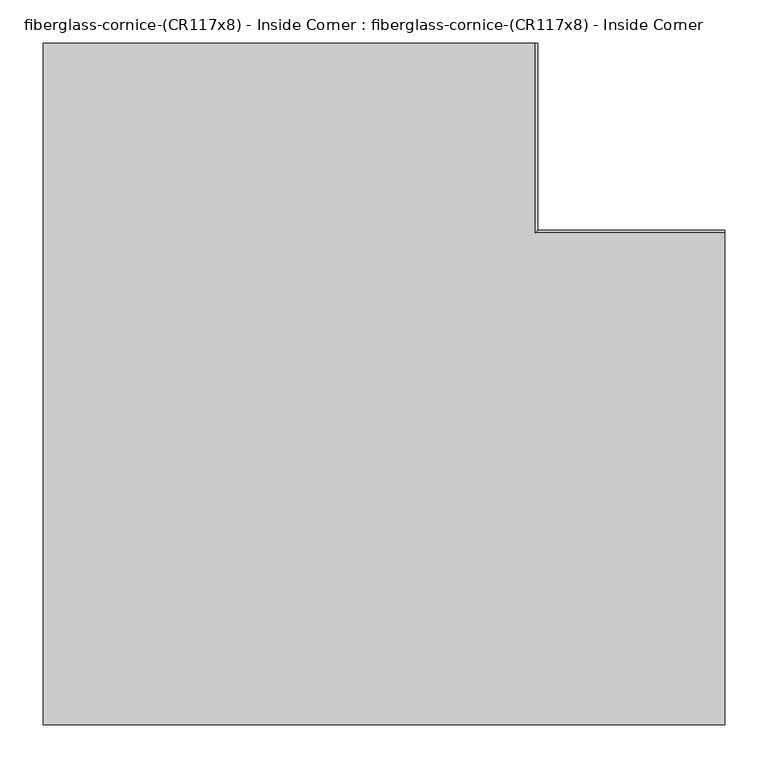
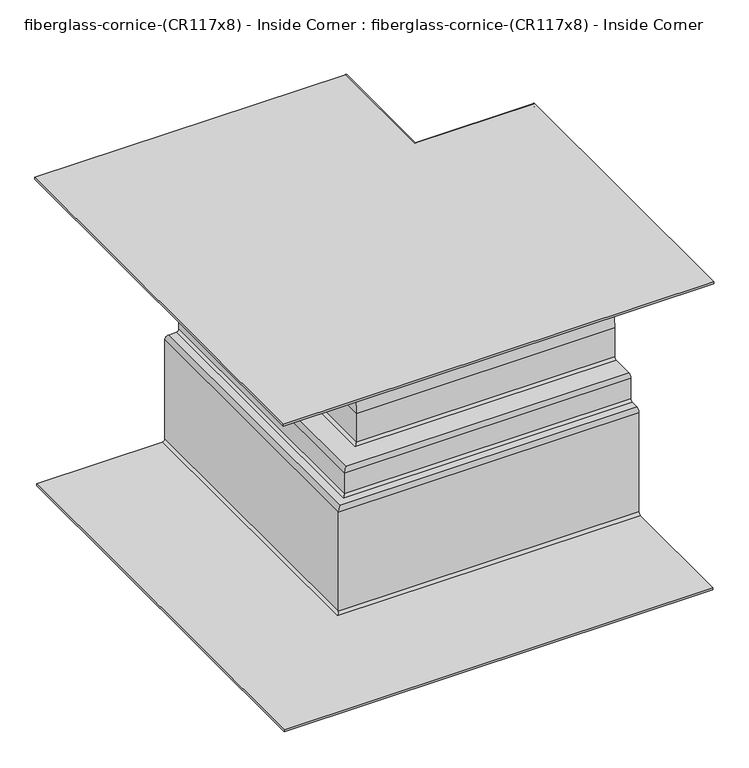
"""IFC4 building model written with IfcOpenShell, lengths in millimetres: furniture geometry, fiberglass-cornice-(CR117x8) - Inside Corner : fiberglass-cornice-(CR117x8) - Inside Corner."""

import ifcopenshell
import ifcopenshell.guid

model = None  # the IFC model being written
_history = None  # IfcOwnerHistory: only IFC2X3 demands one
_inside = {}  # id of a spatial element -> (the spatial element, [elements in it])
_under = {}  # id of a project, library or spatial element -> (it, [spatial elements below it])
_declared = {}  # id of a project -> (the project, [libraries it declares])
_typed = {}  # id of a type object -> (the type object, [elements of that type])
_made_of = {}  # id of a material, layer set ... -> (it, [elements and type objects made of it])


def new_model(schema):
    """Start an empty IFC model of exactly this schema.

    Asked for "IFC4X3", IfcOpenShell would pick the latest addendum, in which some entities
    have other attributes; the version numbers below select the first issue.
    IFC2X3 requires an IfcOwnerHistory on every rooted entity: one is made here for all.
    """
    global model, _history
    if schema == "IFC4X3":
        model = ifcopenshell.file(schema_version=(4, 3, 0, 0))
    else:
        model = ifcopenshell.file(schema=schema)
    _inside.clear()
    _under.clear()
    _declared.clear()
    _typed.clear()
    _made_of.clear()
    _history = None
    if model.schema == "IFC2X3":
        org = make("IfcOrganization", Name="unknown")
        user = make(
            "IfcPersonAndOrganization",
            ThePerson=make("IfcPerson", FamilyName="unknown"),
            TheOrganization=org,
        )
        app = make(
            "IfcApplication",
            ApplicationDeveloper=org,
            Version="unknown",
            ApplicationFullName="unknown",
            ApplicationIdentifier="unknown",
        )
        _history = make(
            "IfcOwnerHistory",
            OwningUser=user,
            OwningApplication=app,
            ChangeAction="ADDED",
            CreationDate=0,
        )
    return model


def make(cls, **values):
    """One entity of the class cls with the attributes given. An attribute that is None is left unset."""
    return model.create_entity(
        cls, **{name: value for name, value in values.items() if value is not None}
    )


def rooted(cls, **values):
    """An entity with a GlobalId (a new one), such as an element, a storey or a relation."""
    return make(cls, GlobalId=ifcopenshell.guid.new(), OwnerHistory=_history, **values)


def si_unit(unit_type, name, prefix=None):
    """IfcSIUnit, for example si_unit("LENGTHUNIT", "METRE", prefix="MILLI")."""
    return make("IfcSIUnit", UnitType=unit_type, Prefix=prefix, Name=name)


def assignment(units):
    """IfcUnitAssignment: the units of a project."""
    return None if units is None else make("IfcUnitAssignment", Units=units)


def point(xyz):
    """IfcCartesianPoint."""
    return None if xyz is None else make("IfcCartesianPoint", Coordinates=xyz)


def direction(xyz):
    """IfcDirection."""
    return None if xyz is None else make("IfcDirection", DirectionRatios=xyz)


def frame(location, z_axis=None, x_axis=None):
    """IfcAxis2Placement3D, a coordinate frame: its origin and axes. An axis left out is left unset."""
    return make(
        "IfcAxis2Placement3D",
        Location=point(location),
        Axis=direction(z_axis),
        RefDirection=direction(x_axis),
    )


def origin():
    """The frame at (0, 0, 0) with its axes left unset."""
    return frame((0.0, 0.0, 0.0))


def place(relative_to, where):
    """IfcLocalPlacement: puts the frame where relative to a parent placement (None: the world)."""
    return make(
        "IfcLocalPlacement", PlacementRelTo=relative_to, RelativePlacement=where
    )


def context(
    kind, dimensions, precision=None, world=None, true_north=None, identifier=None
):
    """IfcGeometricRepresentationContext, for example the 3D "Model" context."""
    return make(
        "IfcGeometricRepresentationContext",
        ContextIdentifier=identifier,
        ContextType=kind,
        CoordinateSpaceDimension=dimensions,
        Precision=precision,
        WorldCoordinateSystem=world,
        TrueNorth=true_north,
    )


def project(units=None, contexts=None):
    """IfcProject with its units and contexts."""
    return rooted(
        "IfcProject",
        Name="project",
        RepresentationContexts=contexts,
        UnitsInContext=assignment(units),
    )


def spatial(cls, under=None, at=None, **own):
    """A site, building, storey or space (cls), placed at a placement, below another one or the project."""
    s = rooted(cls, ObjectPlacement=at, **own)
    if under is not None:
        _under.setdefault(under.id(), (under, []))[1].append(s)
    return s


def polyline(points):
    """IfcPolyline through the points."""
    return make("IfcPolyline", Points=[point(p) for p in points])


def circle_curve(where, radius):
    """IfcCircle in the frame where."""
    return make("IfcCircle", Position=where, Radius=radius)


def ellipse_curve(where, semi_axis1, semi_axis2):
    """IfcEllipse in the frame where."""
    return make(
        "IfcEllipse", Position=where, SemiAxis1=semi_axis1, SemiAxis2=semi_axis2
    )


def shape(context_of_items, identifier, shape_type, items):
    """IfcShapeRepresentation: the items that make up one representation, for example the "Body"."""
    return make(
        "IfcShapeRepresentation",
        ContextOfItems=context_of_items,
        RepresentationIdentifier=identifier,
        RepresentationType=shape_type,
        Items=items,
    )


def source(mapping_origin, context_of_items, identifier, shape_type, items):
    """IfcRepresentationMap: a shape defined once, which mapped items show again and again."""
    return make(
        "IfcRepresentationMap",
        MappingOrigin=mapping_origin,
        MappedRepresentation=shape(context_of_items, identifier, shape_type, items),
    )


def transform(
    local_origin,
    x_axis=None,
    y_axis=None,
    z_axis=None,
    scale=None,
    scale2=None,
    scale3=None,
    uniform=True,
):
    """IfcCartesianTransformationOperator3D, or its non-uniform kind. x_axis, y_axis, z_axis: its Axis1, 2, 3."""
    if uniform:
        return make(
            "IfcCartesianTransformationOperator3D",
            Axis1=direction(x_axis),
            Axis2=direction(y_axis),
            LocalOrigin=point(local_origin),
            Scale=scale,
            Axis3=direction(z_axis),
        )
    return make(
        "IfcCartesianTransformationOperator3DnonUniform",
        Axis1=direction(x_axis),
        Axis2=direction(y_axis),
        LocalOrigin=point(local_origin),
        Scale=scale,
        Axis3=direction(z_axis),
        Scale2=scale2,
        Scale3=scale3,
    )


def mapped(mapping_source, mapping_target):
    """IfcMappedItem: shows the shape of a source again, moved by a transform."""
    return make(
        "IfcMappedItem", MappingSource=mapping_source, MappingTarget=mapping_target
    )


def made_of(thing, what):
    """Note that an element or type object is made of a material, layer set ...; save() writes the relation."""
    if what is not None:
        _made_of.setdefault(what.id(), (what, []))[1].append(thing)
    return thing


def element(
    cls,
    number,
    at=None,
    inside=None,
    cuts=None,
    type_object=None,
    material=None,
    context=None,
    identifier="Body",
    shape_type=None,
    held_by="IfcProductDefinitionShape",
    body=None,
    shapes=None,
    **own,
):
    """One element of the class cls, such as IfcWall. Its Tag is "e" and its number.

    at: its placement. inside: the storey or other place that contains it. cuts: it is an
    opening in that element (IfcRelVoidsElement). A single representation is given by context,
    identifier, shape_type and body (its items); several are given by shapes. held_by: the class
    of the entity that holds the representations. save() writes the other relations.
    """
    e = rooted(cls, Tag="e%d" % number, ObjectPlacement=at, **own)
    if body is not None:
        shapes = [shape(context, identifier, shape_type, body)]
    if shapes is not None:
        e.Representation = make(held_by, Representations=shapes)
    if inside is not None:
        _inside.setdefault(inside.id(), (inside, []))[1].append(e)
    if cuts is not None:
        rooted(
            "IfcRelVoidsElement", RelatingBuildingElement=cuts, RelatedOpeningElement=e
        )
    if type_object is not None:
        _typed.setdefault(type_object.id(), (type_object, []))[1].append(e)
    return made_of(e, material)


def aggregate(whole, parts):
    """IfcRelAggregates: a whole, such as a stair, and the parts it consists of."""
    return rooted("IfcRelAggregates", RelatingObject=whole, RelatedObjects=parts)


def save(model, path):
    """Write the relations noted so far, then the file.

    IfcRelAggregates (storeys below a building ...), IfcRelContainedInSpatialStructure (elements
    in a storey), IfcRelDefinesByType, IfcRelAssociatesMaterial and IfcRelDeclares: one each for
    every whole, place, type object, material and project.
    """
    for whole, parts in _under.values():
        aggregate(whole, parts)
    for where, things in _inside.values():
        rooted(
            "IfcRelContainedInSpatialStructure",
            RelatedElements=things,
            RelatingStructure=where,
        )
    for kind, things in _typed.values():
        rooted("IfcRelDefinesByType", RelatedObjects=things, RelatingType=kind)
    for what, things in _made_of.values():
        rooted("IfcRelAssociatesMaterial", RelatedObjects=things, RelatingMaterial=what)
    for by, libraries in _declared.values():
        rooted("IfcRelDeclares", RelatingContext=by, RelatedDefinitions=libraries)
    model.write(path)


def plane_surface(at):
    """IfcPlane: the flat surface through the origin of the frame at, square to its z axis."""
    return make("IfcPlane", Position=at)


def cylinder_surface(at, radius):
    """IfcCylindricalSurface: all points at the distance radius from the z axis of the frame at."""
    return make("IfcCylindricalSurface", Position=at, Radius=radius)


def revolved_surface(curve, axis_point, axis_direction):
    """IfcSurfaceOfRevolution: the curve turned about the line through axis_point along axis_direction."""
    return make(
        "IfcSurfaceOfRevolution",
        SweptCurve=make("IfcArbitraryOpenProfileDef", ProfileType="CURVE", Curve=curve),
        AxisPosition=make("IfcAxis1Placement", Location=point(axis_point), Axis=direction(axis_direction)),
    )


def advanced_brep(points, edges, surfaces, faces):
    """IfcAdvancedBrep: a solid bounded by faces that lie on surfaces and meet in shared edges.

    An edge is (start, end): straight between two places in points (the first is 0);
    or (start, end, curve); or (start, end, curve, False) where it runs against its curve.
    A face is (place in surfaces, loops), or (place, loops, False) where it looks against
    its surface's normal. A loop lists edges by number (the first is 1), with a minus sign
    where the edge is run from its end to its start. The first loop is the outer one.
    """
    corners = [point(p) for p in points]
    vertices = [make("IfcVertexPoint", VertexGeometry=c) for c in corners]
    made = []
    for start, end, *more in edges:
        made.append(
            make(
                "IfcEdgeCurve",
                EdgeStart=vertices[start],
                EdgeEnd=vertices[end],
                EdgeGeometry=more[0] if more else make("IfcPolyline", Points=[corners[start], corners[end]]),
                SameSense=more[1] if len(more) > 1 else True,
            )
        )
    hull = []
    for where, loops, *sense in faces:
        bounds = []
        for j, loop in enumerate(loops):
            ring = [make("IfcOrientedEdge", EdgeElement=made[abs(k) - 1], Orientation=k > 0) for k in loop]
            bounds.append(
                make(
                    "IfcFaceOuterBound" if j == 0 else "IfcFaceBound",
                    Bound=make("IfcEdgeLoop", EdgeList=ring),
                    Orientation=True,
                )
            )
        hull.append(make("IfcAdvancedFace", Bounds=bounds, FaceSurface=surfaces[where], SameSense=sense[0] if sense else True))
    return make("IfcAdvancedBrep", Outer=make("IfcClosedShell", CfsFaces=hull))


def fiberglass_cornice_cr117x8_inside_corner_fiberglass_cornice_ac360e67(model_context):
    return source(origin(), model_context, "Body", "AdvancedBrep", [
        advanced_brep(
        [(174.6250787, 888.603125, 330.1999904), (177.8000691, 888.603125, 327.025), (177.8000691, 888.603125, 244.4749959), (174.6250787, 888.603125, 241.3000055), (155.0303795, 888.603125, 241.3000055), (152.0369452, 888.603125, 243.4166784), (140.0632826, 888.603125, 243.4166872), (137.0698311, 888.603125, 241.3000055), (79.3751576, 888.603125, 241.3000055), (76.2001374, 888.603125, 238.1249852), (76.2001374, 888.603125, 142.8749971), (73.0251395, 888.603125, 139.6999992), (12.7001475, 888.603125, 139.6999992), (-76.1998794, 888.603125, 50.8008042), (-76.1998794, 888.603125, -9.525001), (-79.374881, 888.603125, -12.7000026), (-123.8249443, 888.603125, -12.7000026), (-126.9998453, 888.603125, -15.8749036), (-126.9998453, 888.603125, -60.3249781), (-130.1748655, 888.603125, -63.4999983), (-149.2248676, 888.603125, -63.4999983), (-152.3998878, 888.603125, -66.6750185), (-152.3998878, 888.603125, -263.5250054), (-155.5748782, 888.603125, -266.6999958), (-390.5249736, 888.603125, -266.6999958), (-390.5249736, 888.603125, -263.2074915), (-160.3373489, 888.603125, -263.2074915), (-155.8923624, 888.603125, -258.7625049), (-155.8923624, 888.603125, -66.6749962), (-149.2248676, 888.603125, -60.0075014), (-134.9374405, 888.603125, -60.0075014), (-130.492439, 888.603125, -55.5624999), (-130.492439, 888.603125, -15.8749968), (-123.8249443, 888.603125, -9.207502), (-84.1373554, 888.603125, -9.207502), (-79.692354, 888.603125, -4.7625005), (-79.692354, 888.603125, 50.8210771), (12.6821071, 888.603125, 143.1924962), (68.2626613, 888.603125, 143.1924962), (72.7076628, 888.603125, 147.6374976), (72.7076628, 888.603125, 238.1250001), (79.3751576, 888.603125, 244.7924949), (134.1703036, 888.603125, 244.7924949), (137.8662911, 888.603125, 246.7680769), (154.2339485, 888.603125, 246.7680544), (157.9298819, 888.603125, 244.7924949), (169.8625931, 888.603125, 244.7924949), (174.3075945, 888.603125, 249.2374964), (174.3075945, 888.603125, 322.2624995), (169.862608, 888.603125, 326.7074861), (-393.6999938, 888.603125, 326.7074861), (-393.6999938, 888.603125, 330.1999904), (393.6999938, 669.5281975, 330.1999904), (393.6999938, 101.203125, 330.1999904), (393.6999938, 101.203125, 326.7074861), (393.6999938, 664.7657268, 326.7074861), (393.6999938, 669.2107134, 322.2624995), (393.6999938, 669.2107134, 249.2374964), (393.6999938, 664.7657119, 244.7924949), (393.6999938, 652.8330008, 244.7924949), (393.6999938, 649.1370674, 246.7680544), (393.6999938, 632.76941, 246.7680769), (393.6999938, 629.0734224, 244.7924949), (393.6999938, 574.2782764, 244.7924949), (393.6999938, 567.6107817, 238.1250001), (393.6999938, 567.6107817, 147.6374976), (393.6999938, 563.1657802, 143.1924962), (393.6999938, 507.585226, 143.1924962), (393.6999938, 415.2107649, 50.8210771), (393.6999938, 415.2107649, -4.7625005), (393.6999938, 410.7657634, -9.207502), (393.6999938, 371.0781746, -9.207502), (393.6999938, 364.4106798, -15.8749968), (393.6999938, 364.4106798, -55.5624999), (393.6999938, 359.9656783, -60.0075014), (393.6999938, 345.6782513, -60.0075014), (393.6999938, 339.0107565, -66.6749962), (393.6999938, 339.0107565, -258.7625049), (393.6999938, 334.5657699, -263.2074915), (393.6999938, 104.3781452, -263.2074915), (393.6999938, 104.3781452, -266.6999958), (393.6999938, 339.3282406, -266.6999958), (393.6999938, 342.503231, -263.5250054), (393.6999938, 342.503231, -66.6750185), (393.6999938, 345.6782513, -63.4999983), (393.6999938, 364.7282534, -63.4999983), (393.6999938, 367.9032736, -60.3249781), (393.6999938, 367.9032736, -15.8749036), (393.6999938, 371.0781746, -12.7000026), (393.6999938, 415.5282378, -12.7000026), (393.6999938, 418.7032394, -9.525001), (393.6999938, 418.7032394, 50.8008042), (393.6999938, 507.6032663, 139.6999992), (393.6999938, 567.9282584, 139.6999992), (393.6999938, 571.1032562, 142.8749971), (393.6999938, 571.1032562, 238.1249852), (393.6999938, 574.2782764, 241.3000055), (393.6999938, 631.97295, 241.3000055), (393.6999938, 634.9664014, 243.4166872), (393.6999938, 646.9400641, 243.4166784), (393.6999938, 649.9334984, 241.3000055), (393.6999938, 669.5281975, 241.3000055), (393.6999938, 672.7031879, 244.4749959), (393.6999938, 672.7031879, 327.025), (174.6250787, 669.5281975, 330.1999904), (177.8000691, 672.7031879, 327.025), (177.8000691, 672.7031879, 244.4749959), (174.6250787, 669.5281975, 241.3000055), (155.0303795, 649.9334984, 241.3000055), (152.0369452, 646.9400641, 243.4166784), (140.0632826, 634.9664014, 243.4166872), (137.0698311, 631.97295, 241.3000055), (79.3751576, 574.2782764, 241.3000055), (76.2001374, 571.1032562, 238.1249852), (76.2001374, 571.1032562, 142.8749971), (73.0251395, 567.9282584, 139.6999992), (12.7001475, 507.6032663, 139.6999992), (-76.1998794, 418.7032394, 50.8008042), (-76.1998794, 418.7032394, -9.525001), (-79.374881, 415.5282378, -12.7000026), (-123.8249443, 371.0781746, -12.7000026), (-126.9998453, 367.9032736, -15.8749036), (-126.9998453, 367.9032736, -60.3249781), (-130.1748655, 364.7282534, -63.4999983), (-149.2248676, 345.6782513, -63.4999983), (-152.3998878, 342.503231, -66.6750185), (-152.3998878, 342.503231, -263.5250054), (-155.5748782, 339.3282406, -266.6999958), (-390.5249736, 104.3781452, -266.6999958), (-390.5249736, 104.3781452, -263.2074915), (-160.3373489, 334.5657699, -263.2074915), (-155.8923624, 339.0107565, -258.7625049), (-155.8923624, 339.0107565, -66.6749962), (-149.2248676, 345.6782513, -60.0075014), (-134.9374405, 359.9656783, -60.0075014), (-130.492439, 364.4106798, -55.5624999), (-130.492439, 364.4106798, -15.8749968), (-123.8249443, 371.0781746, -9.207502), (-84.1373554, 410.7657634, -9.207502), (-79.692354, 415.2107649, -4.7625005), (-79.692354, 415.2107649, 50.8210771), (12.6821071, 507.585226, 143.1924962), (68.2626613, 563.1657802, 143.1924962), (72.7076628, 567.6107817, 147.6374976), (72.7076628, 567.6107817, 238.1250001), (79.3751576, 574.2782764, 244.7924949), (134.1703036, 629.0734224, 244.7924949), (137.8662911, 632.76941, 246.7680769), (154.2339485, 649.1370674, 246.7680544), (157.9298819, 652.8330008, 244.7924949), (169.8625931, 664.7657119, 244.7924949), (174.3075945, 669.2107134, 249.2374964), (174.3075945, 669.2107134, 322.2624995), (169.862608, 664.7657268, 326.7074861), (-393.6999938, 101.203125, 326.7074861), (-393.6999938, 101.203125, 330.1999904)],
        [
            (0, 1, circle_curve(frame((174.6250787, 888.603125, 327.025), z_axis=(0.0, 1.0, 0.0), x_axis=(1.0, 0.0, 0.0)), 3.1749904)),
            (1, 2),
            (2, 3, circle_curve(frame((174.6250787, 888.603125, 244.4749959), z_axis=(0.0, 1.0, 0.0), x_axis=(1.0, 0.0, 0.0)), 3.1749904)),
            (3, 4),
            (4, 5, circle_curve(frame((155.0303795, 888.603125, 244.4750244), z_axis=(0.0, 1.0, 0.0), x_axis=(1.0, 0.0, 0.0)), 3.175019)),
            (5, 6, circle_curve(frame((146.0501123, 888.603125, 241.2999989), z_axis=(0.0, -1.0, 0.0), x_axis=(1.0, 0.0, 0.0)), 6.35)),
            (6, 7, circle_curve(frame((137.0698311, 888.603125, 244.4750442), z_axis=(0.0, 1.0, 0.0), x_axis=(1.0, 0.0, 0.0)), 3.1750388)),
            (7, 8),
            (8, 9, circle_curve(frame((79.3751576, 888.603125, 238.1249852), z_axis=(0.0, -1.0, 0.0), x_axis=(1.0, 0.0, 0.0)), 3.1750202)),
            (9, 10),
            (10, 11, circle_curve(frame((73.0251395, 888.603125, 142.8749971), z_axis=(0.0, 1.0, 0.0), x_axis=(1.0, 0.0, 0.0)), 3.1749979)),
            (11, 12),
            (12, 13, circle_curve(frame((13.6210774, 888.603125, 49.8790338), z_axis=(0.0, -1.0, 0.0), x_axis=(1.0, 0.0, 0.0)), 89.8256865)),
            (13, 14),
            (14, 15, circle_curve(frame((-79.374881, 888.603125, -9.525001), z_axis=(0.0, 1.0, 0.0), x_axis=(1.0, 0.0, 0.0)), 3.1750016)),
            (15, 16),
            (16, 17, circle_curve(frame((-123.8249443, 888.603125, -15.8749036), z_axis=(0.0, -1.0, 0.0), x_axis=(1.0, 0.0, 0.0)), 3.174901)),
            (17, 18),
            (18, 19, circle_curve(frame((-130.1748655, 888.603125, -60.3249781), z_axis=(0.0, 1.0, 0.0), x_axis=(1.0, 0.0, 0.0)), 3.1750202)),
            (19, 20),
            (20, 21, circle_curve(frame((-149.2248676, 888.603125, -66.6750185), z_axis=(0.0, -1.0, 0.0), x_axis=(1.0, 0.0, 0.0)), 3.1750202)),
            (21, 22),
            (22, 23, circle_curve(frame((-155.5748782, 888.603125, -263.5250054), z_axis=(0.0, 1.0, 0.0), x_axis=(1.0, 0.0, 0.0)), 3.1749904)),
            (23, 24),
            (24, 25),
            (25, 26),
            (26, 27, circle_curve(frame((-160.3373489, 888.603125, -258.7625049), z_axis=(0.0, -1.0, 0.0), x_axis=(1.0, 0.0, 0.0)), 4.4449866)),
            (27, 28),
            (28, 29, circle_curve(frame((-149.2248676, 888.603125, -66.6749962), z_axis=(0.0, 1.0, 0.0), x_axis=(1.0, 0.0, 0.0)), 6.6674948)),
            (29, 30),
            (30, 31, circle_curve(frame((-134.9374405, 888.603125, -55.5624999), z_axis=(0.0, -1.0, 0.0), x_axis=(1.0, 0.0, 0.0)), 4.4450015)),
            (31, 32),
            (32, 33, circle_curve(frame((-123.8249443, 888.603125, -15.8749968), z_axis=(0.0, 1.0, 0.0), x_axis=(1.0, 0.0, 0.0)), 6.6674948)),
            (33, 34),
            (34, 35, circle_curve(frame((-84.1373554, 888.603125, -4.7625005), z_axis=(0.0, -1.0, 0.0), x_axis=(1.0, 0.0, 0.0)), 4.4450015)),
            (35, 36),
            (36, 37, circle_curve(frame((13.6210774, 888.603125, 49.8790338), z_axis=(0.0, 1.0, 0.0), x_axis=(1.0, 0.0, 0.0)), 93.3181865)),
            (37, 38),
            (38, 39, circle_curve(frame((68.2626613, 888.603125, 147.6374976), z_axis=(0.0, -1.0, 0.0), x_axis=(1.0, 0.0, 0.0)), 4.4450015)),
            (39, 40),
            (40, 41, circle_curve(frame((79.3751576, 888.603125, 238.1250001), z_axis=(0.0, 1.0, 0.0), x_axis=(1.0, 0.0, 0.0)), 6.6674948)),
            (41, 42),
            (42, 43, circle_curve(frame((134.1703036, 888.603125, 249.2375771), z_axis=(0.0, -1.0, 0.0), x_axis=(1.0, 0.0, 0.0)), 4.4450821)),
            (43, 44, circle_curve(frame((146.0501123, 888.603125, 241.2999989), z_axis=(0.0, 1.0, 0.0), x_axis=(1.0, 0.0, 0.0)), 9.8425)),
            (44, 45, circle_curve(frame((157.9298819, 888.603125, 249.2375038), z_axis=(0.0, -1.0, 0.0), x_axis=(1.0, 0.0, 0.0)), 4.4450089)),
            (45, 46),
            (46, 47, circle_curve(frame((169.8625931, 888.603125, 249.2374964), z_axis=(0.0, -1.0, 0.0), x_axis=(1.0, 0.0, 0.0)), 4.4450015)),
            (47, 48),
            (48, 49, circle_curve(frame((169.862608, 888.603125, 322.2624995), z_axis=(0.0, -1.0, 0.0), x_axis=(1.0, 0.0, 0.0)), 4.4449866)),
            (49, 50),
            (50, 51),
            (51, 0),
            (52, 53),
            (53, 54),
            (54, 55),
            (55, 56, circle_curve(frame((393.6999938, 664.7657268, 322.2624995), z_axis=(-1.0, 0.0, 0.0), x_axis=(0.0, 1.0, 0.0)), 4.4449866)),
            (56, 57),
            (57, 58, circle_curve(frame((393.6999938, 664.7657119, 249.2374964), z_axis=(-1.0, 0.0, 0.0), x_axis=(0.0, 1.0, 0.0)), 4.4450015)),
            (58, 59),
            (59, 60, circle_curve(frame((393.6999938, 652.8330008, 249.2375038), z_axis=(-1.0, 0.0, 0.0), x_axis=(0.0, 1.0, 0.0)), 4.4450089)),
            (60, 61, circle_curve(frame((393.6999938, 640.9532312, 241.2999989), z_axis=(1.0, 0.0, 0.0), x_axis=(0.0, 1.0, 0.0)), 9.8425)),
            (61, 62, circle_curve(frame((393.6999938, 629.0734224, 249.2375771), z_axis=(-1.0, 0.0, 0.0), x_axis=(0.0, 1.0, 0.0)), 4.4450821)),
            (62, 63),
            (63, 64, circle_curve(frame((393.6999938, 574.2782764, 238.1250001), z_axis=(1.0, 0.0, 0.0), x_axis=(0.0, 1.0, 0.0)), 6.6674948)),
            (64, 65),
            (65, 66, circle_curve(frame((393.6999938, 563.1657802, 147.6374976), z_axis=(-1.0, 0.0, 0.0), x_axis=(0.0, 1.0, 0.0)), 4.4450015)),
            (66, 67),
            (67, 68, circle_curve(frame((393.6999938, 508.5241963, 49.8790338), z_axis=(1.0, 0.0, 0.0), x_axis=(0.0, 1.0, 0.0)), 93.3181865)),
            (68, 69),
            (69, 70, circle_curve(frame((393.6999938, 410.7657634, -4.7625005), z_axis=(-1.0, 0.0, 0.0), x_axis=(0.0, 1.0, 0.0)), 4.4450015)),
            (70, 71),
            (71, 72, circle_curve(frame((393.6999938, 371.0781746, -15.8749968), z_axis=(1.0, 0.0, 0.0), x_axis=(0.0, 1.0, 0.0)), 6.6674948)),
            (72, 73),
            (73, 74, circle_curve(frame((393.6999938, 359.9656783, -55.5624999), z_axis=(-1.0, 0.0, 0.0), x_axis=(0.0, 1.0, 0.0)), 4.4450015)),
            (74, 75),
            (75, 76, circle_curve(frame((393.6999938, 345.6782513, -66.6749962), z_axis=(1.0, 0.0, 0.0), x_axis=(0.0, 1.0, 0.0)), 6.6674948)),
            (76, 77),
            (77, 78, circle_curve(frame((393.6999938, 334.5657699, -258.7625049), z_axis=(-1.0, 0.0, 0.0), x_axis=(0.0, 1.0, 0.0)), 4.4449866)),
            (78, 79),
            (79, 80),
            (80, 81),
            (81, 82, circle_curve(frame((393.6999938, 339.3282406, -263.5250054), z_axis=(1.0, 0.0, 0.0), x_axis=(0.0, 1.0, 0.0)), 3.1749904)),
            (82, 83),
            (83, 84, circle_curve(frame((393.6999938, 345.6782513, -66.6750185), z_axis=(-1.0, 0.0, 0.0), x_axis=(0.0, 1.0, 0.0)), 3.1750202)),
            (84, 85),
            (85, 86, circle_curve(frame((393.6999938, 364.7282534, -60.3249781), z_axis=(1.0, 0.0, 0.0), x_axis=(0.0, 1.0, 0.0)), 3.1750202)),
            (86, 87),
            (87, 88, circle_curve(frame((393.6999938, 371.0781746, -15.8749036), z_axis=(-1.0, 0.0, 0.0), x_axis=(0.0, 1.0, 0.0)), 3.174901)),
            (88, 89),
            (89, 90, circle_curve(frame((393.6999938, 415.5282378, -9.525001), z_axis=(1.0, 0.0, 0.0), x_axis=(0.0, 1.0, 0.0)), 3.1750016)),
            (90, 91),
            (91, 92, circle_curve(frame((393.6999938, 508.5241963, 49.8790338), z_axis=(-1.0, 0.0, 0.0), x_axis=(0.0, 1.0, 0.0)), 89.8256865)),
            (92, 93),
            (93, 94, circle_curve(frame((393.6999938, 567.9282584, 142.8749971), z_axis=(1.0, 0.0, 0.0), x_axis=(0.0, 1.0, 0.0)), 3.1749979)),
            (94, 95),
            (95, 96, circle_curve(frame((393.6999938, 574.2782764, 238.1249852), z_axis=(-1.0, 0.0, 0.0), x_axis=(0.0, 1.0, 0.0)), 3.1750202)),
            (96, 97),
            (97, 98, circle_curve(frame((393.6999938, 631.97295, 244.4750442), z_axis=(1.0, 0.0, 0.0), x_axis=(0.0, 1.0, 0.0)), 3.1750388)),
            (98, 99, circle_curve(frame((393.6999938, 640.9532312, 241.2999989), z_axis=(-1.0, 0.0, 0.0), x_axis=(0.0, 1.0, 0.0)), 6.35)),
            (99, 100, circle_curve(frame((393.6999938, 649.9334984, 244.4750244), z_axis=(1.0, 0.0, 0.0), x_axis=(0.0, 1.0, 0.0)), 3.175019)),
            (100, 101),
            (101, 102, circle_curve(frame((393.6999938, 669.5281975, 244.4749959), z_axis=(1.0, 0.0, 0.0), x_axis=(0.0, 1.0, 0.0)), 3.1749904)),
            (102, 103),
            (103, 52, circle_curve(frame((393.6999938, 669.5281975, 327.025), z_axis=(1.0, 0.0, 0.0), x_axis=(0.0, 1.0, 0.0)), 3.1749904)),
            (0, 104),
            (104, 105, ellipse_curve(frame((174.6250787, 669.5281975, 327.025), z_axis=(-0.7071067811865475, 0.7071067811865475, 0.0), x_axis=(0.7071067811865474, 0.7071067811865476, 0.0)), 4.4901145, 3.1749904)),
            (105, 1),
            (105, 106),
            (106, 2),
            (106, 107, ellipse_curve(frame((174.6250787, 669.5281975, 244.4749959), z_axis=(-0.7071067811865475, 0.7071067811865475, 0.0), x_axis=(0.7071067811865474, 0.7071067811865476, 0.0)), 4.4901145, 3.1749904)),
            (107, 3),
            (107, 101),
            (100, 108),
            (108, 4),
            (108, 109, ellipse_curve(frame((155.0303795, 649.9334984, 244.4750244), z_axis=(-0.7071067811865475, 0.7071067811865475, 0.0), x_axis=(0.7071067811865474, 0.7071067811865476, 0.0)), 4.4901549, 3.175019)),
            (109, 5),
            (109, 110, ellipse_curve(frame((146.0501123, 640.9532312, 241.2999989), z_axis=(0.7071067811865475, -0.7071067811865475, 0.0), x_axis=(-0.7071067811865474, -0.7071067811865476, 0.0)), 8.9802561, 6.35)),
            (110, 6),
            (110, 111, ellipse_curve(frame((137.0698311, 631.97295, 244.4750442), z_axis=(-0.7071067811865475, 0.7071067811865475, 0.0), x_axis=(0.7071067811865474, 0.7071067811865476, 0.0)), 4.4901829, 3.1750388)),
            (111, 7),
            (111, 97),
            (96, 112),
            (112, 8),
            (112, 113, ellipse_curve(frame((79.3751576, 574.2782764, 238.1249852), z_axis=(0.7071067811865475, -0.7071067811865475, 0.0), x_axis=(-0.7071067811865474, -0.7071067811865476, 0.0)), 4.4901567, 3.1750202)),
            (113, 9),
            (113, 114),
            (114, 10),
            (114, 115, ellipse_curve(frame((73.0251395, 567.9282584, 142.8749971), z_axis=(-0.7071067811865475, 0.7071067811865475, 0.0), x_axis=(0.7071067811865474, 0.7071067811865476, 0.0)), 4.490125, 3.1749979)),
            (115, 11),
            (115, 93),
            (92, 116),
            (116, 12),
            (116, 117, ellipse_curve(frame((13.6210774, 508.5241963, 49.8790338), z_axis=(0.7071067811865475, -0.7071067811865475, 0.0), x_axis=(-0.7071067811865474, -0.7071067811865476, 0.0)), 127.032704, 89.8256865)),
            (117, 13),
            (117, 118),
            (118, 14),
            (118, 119, ellipse_curve(frame((-79.374881, 415.5282378, -9.525001), z_axis=(-0.7071067811865475, 0.7071067811865475, 0.0), x_axis=(0.7071067811865474, 0.7071067811865476, 0.0)), 4.4901303, 3.1750016)),
            (119, 15),
            (119, 89),
            (88, 120),
            (120, 16),
            (120, 121, ellipse_curve(frame((-123.8249443, 371.0781746, -15.8749036), z_axis=(0.7071067811865475, -0.7071067811865475, 0.0), x_axis=(-0.7071067811865474, -0.7071067811865476, 0.0)), 4.4899881, 3.174901)),
            (121, 17),
            (121, 122),
            (122, 18),
            (122, 123, ellipse_curve(frame((-130.1748655, 364.7282534, -60.3249781), z_axis=(-0.7071067811865475, 0.7071067811865475, 0.0), x_axis=(0.7071067811865474, 0.7071067811865476, 0.0)), 4.4901567, 3.1750202)),
            (123, 19),
            (123, 85),
            (84, 124),
            (124, 20),
            (124, 125, ellipse_curve(frame((-149.2248676, 345.6782513, -66.6750185), z_axis=(0.7071067811865475, -0.7071067811865475, 0.0), x_axis=(-0.7071067811865474, -0.7071067811865476, 0.0)), 4.4901567, 3.1750202)),
            (125, 21),
            (125, 126),
            (126, 22),
            (126, 127, ellipse_curve(frame((-155.5748782, 339.3282406, -263.5250054), z_axis=(-0.7071067811865475, 0.7071067811865475, 0.0), x_axis=(0.7071067811865474, 0.7071067811865476, 0.0)), 4.4901145, 3.1749904)),
            (127, 23),
            (127, 81),
            (80, 128),
            (128, 24),
            (128, 129),
            (129, 25),
            (129, 79),
            (78, 130),
            (130, 26),
            (130, 131, ellipse_curve(frame((-160.3373489, 334.5657699, -258.7625049), z_axis=(0.7071067811865475, -0.7071067811865475, 0.0), x_axis=(-0.7071067811865474, -0.7071067811865476, 0.0)), 6.2861603, 4.4449866)),
            (131, 27),
            (131, 132),
            (132, 28),
            (132, 133, ellipse_curve(frame((-149.2248676, 345.6782513, -66.6749962), z_axis=(-0.7071067811865475, 0.7071067811865475, 0.0), x_axis=(0.7071067811865474, 0.7071067811865476, 0.0)), 9.4292615, 6.6674948)),
            (133, 29),
            (133, 75),
            (74, 134),
            (134, 30),
            (134, 135, ellipse_curve(frame((-134.9374405, 359.9656783, -55.5624999), z_axis=(0.7071067811865475, -0.7071067811865475, 0.0), x_axis=(-0.7071067811865474, -0.7071067811865476, 0.0)), 6.2861814, 4.4450015)),
            (135, 31),
            (135, 136),
            (136, 32),
            (136, 137, ellipse_curve(frame((-123.8249443, 371.0781746, -15.8749968), z_axis=(-0.7071067811865475, 0.7071067811865475, 0.0), x_axis=(0.7071067811865474, 0.7071067811865476, 0.0)), 9.4292615, 6.6674948)),
            (137, 33),
            (137, 71),
            (70, 138),
            (138, 34),
            (138, 139, ellipse_curve(frame((-84.1373554, 410.7657634, -4.7625005), z_axis=(0.7071067811865475, -0.7071067811865475, 0.0), x_axis=(-0.7071067811865474, -0.7071067811865476, 0.0)), 6.2861814, 4.4450015)),
            (139, 35),
            (139, 140),
            (140, 36),
            (140, 141, ellipse_curve(frame((13.6210774, 508.5241963, 49.8790338), z_axis=(-0.7071067811865475, 0.7071067811865475, 0.0), x_axis=(0.7071067811865474, 0.7071067811865476, 0.0)), 131.9718449, 93.3181865)),
            (141, 37),
            (141, 67),
            (66, 142),
            (142, 38),
            (142, 143, ellipse_curve(frame((68.2626613, 563.1657802, 147.6374976), z_axis=(0.7071067811865475, -0.7071067811865475, 0.0), x_axis=(-0.7071067811865474, -0.7071067811865476, 0.0)), 6.2861814, 4.4450015)),
            (143, 39),
            (143, 144),
            (144, 40),
            (144, 145, ellipse_curve(frame((79.3751576, 574.2782764, 238.1250001), z_axis=(-0.7071067811865475, 0.7071067811865475, 0.0), x_axis=(0.7071067811865474, 0.7071067811865476, 0.0)), 9.4292615, 6.6674948)),
            (145, 41),
            (145, 63),
            (62, 146),
            (146, 42),
            (146, 147, ellipse_curve(frame((134.1703036, 629.0734224, 249.2375771), z_axis=(0.7071067811865475, -0.7071067811865475, 0.0), x_axis=(-0.7071067811865474, -0.7071067811865476, 0.0)), 6.2862954, 4.4450821)),
            (147, 43),
            (147, 148, ellipse_curve(frame((146.0501123, 640.9532312, 241.2999989), z_axis=(-0.7071067811865475, 0.7071067811865475, 0.0), x_axis=(0.7071067811865474, 0.7071067811865476, 0.0)), 13.919397, 9.8425)),
            (148, 44),
            (148, 149, ellipse_curve(frame((157.9298819, 652.8330008, 249.2375038), z_axis=(0.7071067811865475, -0.7071067811865475, 0.0), x_axis=(-0.7071067811865474, -0.7071067811865476, 0.0)), 6.2861919, 4.4450089)),
            (149, 45),
            (149, 59),
            (58, 150),
            (150, 46),
            (150, 151, ellipse_curve(frame((169.8625931, 664.7657119, 249.2374964), z_axis=(0.7071067811865475, -0.7071067811865475, 0.0), x_axis=(-0.7071067811865474, -0.7071067811865476, 0.0)), 6.2861814, 4.4450015)),
            (151, 47),
            (151, 152),
            (152, 48),
            (152, 153, ellipse_curve(frame((169.862608, 664.7657268, 322.2624995), z_axis=(0.7071067811865475, -0.7071067811865475, 0.0), x_axis=(-0.7071067811865474, -0.7071067811865476, 0.0)), 6.2861603, 4.4449866)),
            (153, 49),
            (153, 55),
            (54, 154),
            (154, 50),
            (154, 155),
            (155, 51),
            (155, 53),
            (52, 104),
            (103, 105),
            (102, 106),
            (99, 109),
            (98, 110),
            (95, 113),
            (94, 114),
            (91, 117),
            (90, 118),
            (87, 121),
            (86, 122),
            (83, 125),
            (82, 126),
            (77, 131),
            (76, 132),
            (73, 135),
            (72, 136),
            (69, 139),
            (68, 140),
            (65, 143),
            (64, 144),
            (61, 147),
            (60, 148),
            (57, 151),
            (56, 152),
        ],
        [
            plane_surface(frame((-393.6999938, 888.603125, 330.1999904), z_axis=(0.0, 1.0, 0.0), x_axis=(0.0, 0.0, 1.0))),
            plane_surface(frame((393.6999938, 101.203125, 330.1999904), z_axis=(1.0, 0.0, 0.0), x_axis=(0.0, 0.0, 1.0))),
            cylinder_surface(frame((174.6250787, 888.603125, 327.025), z_axis=(0.0, 1.0, 0.0), x_axis=(1.0, 0.0, 0.0)), 3.1749904),
            plane_surface(frame((177.8000691, 888.603125, 327.025), z_axis=(1.0, 0.0, 0.0), x_axis=(0.0, -1.0, 0.0))),
            cylinder_surface(frame((174.6250787, 888.603125, 244.4749959), z_axis=(0.0, 1.0, 0.0), x_axis=(1.0, 0.0, 0.0)), 3.1749904),
            plane_surface(frame((174.6250787, 888.603125, 241.3000055), z_axis=(0.0, 0.0, -1.0), x_axis=(0.0, -1.0, 0.0))),
            cylinder_surface(frame((155.0303795, 888.603125, 244.4750244), z_axis=(0.0, 1.0, 0.0), x_axis=(1.0, 0.0, 0.0)), 3.175019),
            revolved_surface(polyline([(152.4001123, 634.6032312148982, 241.2999989), (152.4001123, 888.603125, 241.2999989)]), (146.0501123, 888.603125, 241.2999989), (0.0, -1.0, 0.0)),
            cylinder_surface(frame((137.0698311, 888.603125, 244.4750442), z_axis=(0.0, 1.0, 0.0), x_axis=(1.0, 0.0, 0.0)), 3.1750388),
            plane_surface(frame((137.0698311, 888.603125, 241.3000055), z_axis=(0.0, 0.0, -1.0), x_axis=(0.0, -1.0, 0.0))),
            revolved_surface(polyline([(82.5501778, 571.1032561488398, 238.1249852), (82.5501778, 888.603125, 238.1249852)]), (79.3751576, 888.603125, 238.1249852), (0.0, -1.0, 0.0)),
            plane_surface(frame((76.2001374, 888.603125, 238.1249852), z_axis=(1.0, 0.0, 0.0), x_axis=(0.0, -1.0, 0.0))),
            cylinder_surface(frame((73.0251395, 888.603125, 142.8749971), z_axis=(0.0, 1.0, 0.0), x_axis=(1.0, 0.0, 0.0)), 3.1749979),
            plane_surface(frame((73.0251395, 888.603125, 139.6999992), z_axis=(0.0, 0.0, -1.0), x_axis=(0.0, -1.0, 0.0))),
            revolved_surface(polyline([(103.44676390000001, 418.69850986913656, 49.8790338), (103.44676390000001, 888.603125, 49.8790338)]), (13.6210774, 888.603125, 49.8790338), (0.0, -1.0, 0.0)),
            plane_surface(frame((-76.1998794, 888.603125, 50.8008042), z_axis=(1.0, 0.0, 0.0), x_axis=(0.0, -1.0, 0.0))),
            cylinder_surface(frame((-79.374881, 888.603125, -9.525001), z_axis=(0.0, 1.0, 0.0), x_axis=(1.0, 0.0, 0.0)), 3.1750016),
            plane_surface(frame((-79.374881, 888.603125, -12.7000026), z_axis=(0.0, 0.0, -1.0), x_axis=(0.0, -1.0, 0.0))),
            revolved_surface(polyline([(-120.6500433, 367.90327356704313, -15.8749036), (-120.6500433, 888.603125, -15.8749036)]), (-123.8249443, 888.603125, -15.8749036), (0.0, -1.0, 0.0)),
            plane_surface(frame((-126.9998453, 888.603125, -15.8749036), z_axis=(1.0, 0.0, 0.0), x_axis=(0.0, -1.0, 0.0))),
            cylinder_surface(frame((-130.1748655, 888.603125, -60.3249781), z_axis=(0.0, 1.0, 0.0), x_axis=(1.0, 0.0, 0.0)), 3.1750202),
            plane_surface(frame((-130.1748655, 888.603125, -63.4999983), z_axis=(0.0, 0.0, -1.0), x_axis=(0.0, -1.0, 0.0))),
            revolved_surface(polyline([(-146.0498474, 342.503231, -66.6750185), (-146.0498474, 888.603125, -66.6750185)]), (-149.2248676, 888.603125, -66.6750185), (0.0, -1.0, 0.0)),
            plane_surface(frame((-152.3998878, 888.603125, -66.6750185), z_axis=(1.0, 0.0, 0.0), x_axis=(0.0, -1.0, 0.0))),
            cylinder_surface(frame((-155.5748782, 888.603125, -263.5250054), z_axis=(0.0, 1.0, 0.0), x_axis=(1.0, 0.0, 0.0)), 3.1749904),
            plane_surface(frame((-155.5748782, 888.603125, -266.6999958), z_axis=(0.0, 0.0, -1.0), x_axis=(0.0, -1.0, 0.0))),
            plane_surface(frame((-390.5249736, 888.603125, -266.6999958), z_axis=(-1.0, 0.0, 0.0), x_axis=(0.0, -1.0, 0.0))),
            plane_surface(frame((-390.5249736, 888.603125, -263.2074915), z_axis=(0.0, 0.0, 1.0), x_axis=(0.0, -1.0, 0.0))),
            revolved_surface(polyline([(-155.8923623, 330.12078332424426, -258.7625049), (-155.8923623, 888.603125, -258.7625049)]), (-160.3373489, 888.603125, -258.7625049), (0.0, -1.0, 0.0)),
            plane_surface(frame((-155.8923624, 888.603125, -258.7625049), z_axis=(-1.0, 0.0, 0.0), x_axis=(0.0, -1.0, 0.0))),
            cylinder_surface(frame((-149.2248676, 888.603125, -66.6749962), z_axis=(0.0, 1.0, 0.0), x_axis=(1.0, 0.0, 0.0)), 6.6674948),
            plane_surface(frame((-149.2248676, 888.603125, -60.0075014), z_axis=(0.0, 0.0, 1.0), x_axis=(0.0, -1.0, 0.0))),
            revolved_surface(polyline([(-130.49243900000002, 355.52067680429116, -55.5624999), (-130.49243900000002, 888.603125, -55.5624999)]), (-134.9374405, 888.603125, -55.5624999), (0.0, -1.0, 0.0)),
            plane_surface(frame((-130.492439, 888.603125, -55.5624999), z_axis=(-1.0, 0.0, 0.0), x_axis=(0.0, -1.0, 0.0))),
            cylinder_surface(frame((-123.8249443, 888.603125, -15.8749968), z_axis=(0.0, 1.0, 0.0), x_axis=(1.0, 0.0, 0.0)), 6.6674948),
            plane_surface(frame((-123.8249443, 888.603125, -9.207502), z_axis=(0.0, 0.0, 1.0), x_axis=(0.0, -1.0, 0.0))),
            revolved_surface(polyline([(-79.6923539, 406.32076190429126, -4.7625005), (-79.6923539, 888.603125, -4.7625005)]), (-84.1373554, 888.603125, -4.7625005), (0.0, -1.0, 0.0)),
            plane_surface(frame((-79.692354, 888.603125, -4.7625005), z_axis=(-1.0, 0.0, 0.0), x_axis=(0.0, -1.0, 0.0))),
            cylinder_surface(frame((13.6210774, 888.603125, 49.8790338), z_axis=(0.0, 1.0, 0.0), x_axis=(1.0, 0.0, 0.0)), 93.3181865),
            plane_surface(frame((12.6821071, 888.603125, 143.1924962), z_axis=(0.0, 0.0, 1.0), x_axis=(0.0, -1.0, 0.0))),
            revolved_surface(polyline([(72.70766280000001, 558.7207787042912, 147.6374976), (72.70766280000001, 888.603125, 147.6374976)]), (68.2626613, 888.603125, 147.6374976), (0.0, -1.0, 0.0)),
            plane_surface(frame((72.7076628, 888.603125, 147.6374976), z_axis=(-1.0, 0.0, 0.0), x_axis=(0.0, -1.0, 0.0))),
            cylinder_surface(frame((79.3751576, 888.603125, 238.1250001), z_axis=(0.0, 1.0, 0.0), x_axis=(1.0, 0.0, 0.0)), 6.6674948),
            plane_surface(frame((79.3751576, 888.603125, 244.7924949), z_axis=(0.0, 0.0, 1.0), x_axis=(0.0, -1.0, 0.0))),
            revolved_surface(polyline([(138.61538570000002, 624.6283402941183, 249.2375771), (138.61538570000002, 888.603125, 249.2375771)]), (134.1703036, 888.603125, 249.2375771), (0.0, -1.0, 0.0)),
            cylinder_surface(frame((146.0501123, 888.603125, 241.2999989), z_axis=(0.0, 1.0, 0.0), x_axis=(1.0, 0.0, 0.0)), 9.8425),
            revolved_surface(polyline([(162.3748908, 648.3879918796702, 249.2375038), (162.3748908, 888.603125, 249.2375038)]), (157.9298819, 888.603125, 249.2375038), (0.0, -1.0, 0.0)),
            plane_surface(frame((157.9298819, 888.603125, 244.7924949), z_axis=(0.0, 0.0, 1.0), x_axis=(0.0, -1.0, 0.0))),
            revolved_surface(polyline([(174.3075946, 660.3207104042913, 249.2374964), (174.3075946, 888.603125, 249.2374964)]), (169.8625931, 888.603125, 249.2374964), (0.0, -1.0, 0.0)),
            plane_surface(frame((174.3075945, 888.603125, 249.2374964), z_axis=(-1.0, 0.0, 0.0), x_axis=(0.0, -1.0, 0.0))),
            revolved_surface(polyline([(174.3075946, 660.3207402242444, 322.2624995), (174.3075946, 888.603125, 322.2624995)]), (169.862608, 888.603125, 322.2624995), (0.0, -1.0, 0.0)),
            plane_surface(frame((169.862608, 888.603125, 326.7074861), z_axis=(0.0, 0.0, -1.0), x_axis=(0.0, -1.0, 0.0))),
            plane_surface(frame((-393.6999938, 888.603125, 326.7074861), z_axis=(-1.0, 0.0, 0.0), x_axis=(0.0, -1.0, 0.0))),
            plane_surface(frame((-393.6999938, 888.603125, 330.1999904), z_axis=(0.0, 0.0, 1.0), x_axis=(0.0, -1.0, 0.0))),
            cylinder_surface(frame((-393.6999938, 669.5281975, 327.025), z_axis=(-1.0, 0.0, 0.0), x_axis=(0.0, 1.0, 0.0)), 3.1749904),
            plane_surface(frame((177.8000691, 672.7031879, 327.025), z_axis=(0.0, 1.0, 0.0), x_axis=(1.0, 0.0, 0.0))),
            cylinder_surface(frame((-393.6999938, 669.5281975, 244.4749959), z_axis=(-1.0, 0.0, 0.0), x_axis=(0.0, 1.0, 0.0)), 3.1749904),
            cylinder_surface(frame((-393.6999938, 649.9334984, 244.4750244), z_axis=(-1.0, 0.0, 0.0), x_axis=(0.0, 1.0, 0.0)), 3.175019),
            revolved_surface(polyline([(393.6999938, 647.3032312, 241.2999989), (139.7001123148982, 647.3032312, 241.2999989)]), (-393.6999938, 640.9532312, 241.2999989), (1.0, 0.0, 0.0)),
            cylinder_surface(frame((-393.6999938, 631.97295, 244.4750442), z_axis=(-1.0, 0.0, 0.0), x_axis=(0.0, 1.0, 0.0)), 3.1750388),
            revolved_surface(polyline([(393.6999938, 577.4532965999999, 238.1249852), (76.20013734883975, 577.4532965999999, 238.1249852)]), (-393.6999938, 574.2782764, 238.1249852), (1.0, 0.0, 0.0)),
            plane_surface(frame((76.2001374, 571.1032562, 238.1249852), z_axis=(0.0, 1.0, 0.0), x_axis=(1.0, 0.0, 0.0))),
            cylinder_surface(frame((-393.6999938, 567.9282584, 142.8749971), z_axis=(-1.0, 0.0, 0.0), x_axis=(0.0, 1.0, 0.0)), 3.1749979),
            revolved_surface(polyline([(393.6999938, 598.3498828, 49.8790338), (-76.20460903086348, 598.3498828, 49.8790338)]), (-393.6999938, 508.5241963, 49.8790338), (1.0, 0.0, 0.0)),
            plane_surface(frame((-76.1998794, 418.7032394, 50.8008042), z_axis=(0.0, 1.0, 0.0), x_axis=(1.0, 0.0, 0.0))),
            cylinder_surface(frame((-393.6999938, 415.5282378, -9.525001), z_axis=(-1.0, 0.0, 0.0), x_axis=(0.0, 1.0, 0.0)), 3.1750016),
            revolved_surface(polyline([(393.6999938, 374.2530756, -15.8749036), (-126.99984533295685, 374.2530756, -15.8749036)]), (-393.6999938, 371.0781746, -15.8749036), (1.0, 0.0, 0.0)),
            plane_surface(frame((-126.9998453, 367.9032736, -15.8749036), z_axis=(0.0, 1.0, 0.0), x_axis=(1.0, 0.0, 0.0))),
            cylinder_surface(frame((-393.6999938, 364.7282534, -60.3249781), z_axis=(-1.0, 0.0, 0.0), x_axis=(0.0, 1.0, 0.0)), 3.1750202),
            revolved_surface(polyline([(393.6999938, 348.8532715, -66.6750185), (-152.39988785116023, 348.8532715, -66.6750185)]), (-393.6999938, 345.6782513, -66.6750185), (1.0, 0.0, 0.0)),
            plane_surface(frame((-152.3998878, 342.503231, -66.6750185), z_axis=(0.0, 1.0, 0.0), x_axis=(1.0, 0.0, 0.0))),
            cylinder_surface(frame((-393.6999938, 339.3282406, -263.5250054), z_axis=(-1.0, 0.0, 0.0), x_axis=(0.0, 1.0, 0.0)), 3.1749904),
            plane_surface(frame((-390.5249736, 104.3781452, -266.6999958), z_axis=(0.0, -1.0, 0.0), x_axis=(1.0, 0.0, 0.0))),
            revolved_surface(polyline([(393.6999938, 339.0107565, -258.7625049), (-164.78233547575564, 339.0107565, -258.7625049)]), (-393.6999938, 334.5657699, -258.7625049), (1.0, 0.0, 0.0)),
            plane_surface(frame((-155.8923624, 339.0107565, -258.7625049), z_axis=(0.0, -1.0, 0.0), x_axis=(1.0, 0.0, 0.0))),
            cylinder_surface(frame((-393.6999938, 345.6782513, -66.6749962), z_axis=(-1.0, 0.0, 0.0), x_axis=(0.0, 1.0, 0.0)), 6.6674948),
            revolved_surface(polyline([(393.6999938, 364.41067979999997, -55.5624999), (-139.38244199570872, 364.41067979999997, -55.5624999)]), (-393.6999938, 359.9656783, -55.5624999), (1.0, 0.0, 0.0)),
            plane_surface(frame((-130.492439, 364.4106798, -55.5624999), z_axis=(0.0, -1.0, 0.0), x_axis=(1.0, 0.0, 0.0))),
            cylinder_surface(frame((-393.6999938, 371.0781746, -15.8749968), z_axis=(-1.0, 0.0, 0.0), x_axis=(0.0, 1.0, 0.0)), 6.6674948),
            revolved_surface(polyline([(393.6999938, 415.2107649, -4.7625005), (-88.58235689570876, 415.2107649, -4.7625005)]), (-393.6999938, 410.7657634, -4.7625005), (1.0, 0.0, 0.0)),
            plane_surface(frame((-79.692354, 415.2107649, -4.7625005), z_axis=(0.0, -1.0, 0.0), x_axis=(1.0, 0.0, 0.0))),
            cylinder_surface(frame((-393.6999938, 508.5241963, 49.8790338), z_axis=(-1.0, 0.0, 0.0), x_axis=(0.0, 1.0, 0.0)), 93.3181865),
            revolved_surface(polyline([(393.6999938, 567.6107817, 147.6374976), (63.817659804291225, 567.6107817, 147.6374976)]), (-393.6999938, 563.1657802, 147.6374976), (1.0, 0.0, 0.0)),
            plane_surface(frame((72.7076628, 567.6107817, 147.6374976), z_axis=(0.0, -1.0, 0.0), x_axis=(1.0, 0.0, 0.0))),
            cylinder_surface(frame((-393.6999938, 574.2782764, 238.1250001), z_axis=(-1.0, 0.0, 0.0), x_axis=(0.0, 1.0, 0.0)), 6.6674948),
            revolved_surface(polyline([(393.6999938, 633.5185045000001, 249.2375771), (129.72522149411816, 633.5185045000001, 249.2375771)]), (-393.6999938, 629.0734224, 249.2375771), (1.0, 0.0, 0.0)),
            cylinder_surface(frame((-393.6999938, 640.9532312, 241.2999989), z_axis=(-1.0, 0.0, 0.0), x_axis=(0.0, 1.0, 0.0)), 9.8425),
            revolved_surface(polyline([(393.6999938, 657.2780097, 249.2375038), (153.48487297966994, 657.2780097, 249.2375038)]), (-393.6999938, 652.8330008, 249.2375038), (1.0, 0.0, 0.0)),
            revolved_surface(polyline([(393.6999938, 669.2107134, 249.2374964), (165.41759160429126, 669.2107134, 249.2374964)]), (-393.6999938, 664.7657119, 249.2374964), (1.0, 0.0, 0.0)),
            plane_surface(frame((174.3075945, 669.2107134, 249.2374964), z_axis=(0.0, -1.0, 0.0), x_axis=(1.0, 0.0, 0.0))),
            revolved_surface(polyline([(393.6999938, 669.2107134, 322.2624995), (165.41762142424432, 669.2107134, 322.2624995)]), (-393.6999938, 664.7657268, 322.2624995), (1.0, 0.0, 0.0)),
            plane_surface(frame((-393.6999938, 101.203125, 326.7074861), z_axis=(0.0, -1.0, 0.0), x_axis=(1.0, 0.0, 0.0))),
        ],
        [
            (0, [[1, 2, 3, 4, 5, 6, 7, 8, 9, 10, 11, 12, 13, 14, 15, 16, 17, 18, 19, 20, 21, 22, 23, 24, 25, 26, 27, 28, 29, 30, 31, 32, 33, 34, 35, 36, 37, 38, 39, 40, 41, 42, 43, 44, 45, 46, 47, 48, 49, 50, 51, 52]]),
            (1, [[53, 54, 55, 56, 57, 58, 59, 60, 61, 62, 63, 64, 65, 66, 67, 68, 69, 70, 71, 72, 73, 74, 75, 76, 77, 78, 79, 80, 81, 82, 83, 84, 85, 86, 87, 88, 89, 90, 91, 92, 93, 94, 95, 96, 97, 98, 99, 100, 101, 102, 103, 104]]),
            (2, [[-1, 105, 106, 107]]),
            (3, [[-2, -107, 108, 109]]),
            (4, [[-3, -109, 110, 111]]),
            (5, [[-4, -111, 112, -101, 113, 114]]),
            (6, [[-5, -114, 115, 116]]),
            (7, [[-6, -116, 117, 118]]),
            (8, [[-7, -118, 119, 120]]),
            (9, [[-8, -120, 121, -97, 122, 123]]),
            (10, [[-9, -123, 124, 125]]),
            (11, [[-10, -125, 126, 127]]),
            (12, [[-11, -127, 128, 129]]),
            (13, [[-12, -129, 130, -93, 131, 132]]),
            (14, [[-13, -132, 133, 134]]),
            (15, [[-14, -134, 135, 136]]),
            (16, [[-15, -136, 137, 138]]),
            (17, [[-16, -138, 139, -89, 140, 141]]),
            (18, [[-17, -141, 142, 143]]),
            (19, [[-18, -143, 144, 145]]),
            (20, [[-19, -145, 146, 147]]),
            (21, [[-20, -147, 148, -85, 149, 150]]),
            (22, [[-21, -150, 151, 152]]),
            (23, [[-22, -152, 153, 154]]),
            (24, [[-23, -154, 155, 156]]),
            (25, [[-24, -156, 157, -81, 158, 159]]),
            (26, [[-25, -159, 160, 161]]),
            (27, [[-26, -161, 162, -79, 163, 164]]),
            (28, [[-27, -164, 165, 166]]),
            (29, [[-28, -166, 167, 168]]),
            (30, [[-29, -168, 169, 170]]),
            (31, [[-30, -170, 171, -75, 172, 173]]),
            (32, [[-31, -173, 174, 175]]),
            (33, [[-32, -175, 176, 177]]),
            (34, [[-33, -177, 178, 179]]),
            (35, [[-34, -179, 180, -71, 181, 182]]),
            (36, [[-35, -182, 183, 184]]),
            (37, [[-36, -184, 185, 186]]),
            (38, [[-37, -186, 187, 188]]),
            (39, [[-38, -188, 189, -67, 190, 191]]),
            (40, [[-39, -191, 192, 193]]),
            (41, [[-40, -193, 194, 195]]),
            (42, [[-41, -195, 196, 197]]),
            (43, [[-42, -197, 198, -63, 199, 200]]),
            (44, [[-43, -200, 201, 202]]),
            (45, [[-44, -202, 203, 204]]),
            (46, [[-45, -204, 205, 206]]),
            (47, [[-46, -206, 207, -59, 208, 209]]),
            (48, [[-47, -209, 210, 211]]),
            (49, [[-48, -211, 212, 213]]),
            (50, [[-49, -213, 214, 215]]),
            (51, [[-50, -215, 216, -55, 217, 218]]),
            (52, [[-51, -218, 219, 220]]),
            (53, [[-52, -220, 221, -53, 222, -105]]),
            (54, [[-106, -222, -104, 223]]),
            (55, [[-108, -223, -103, 224]]),
            (56, [[-110, -224, -102, -112]]),
            (57, [[-115, -113, -100, 225]]),
            (58, [[-117, -225, -99, 226]]),
            (59, [[-119, -226, -98, -121]]),
            (60, [[-124, -122, -96, 227]]),
            (61, [[-126, -227, -95, 228]]),
            (62, [[-128, -228, -94, -130]]),
            (63, [[-133, -131, -92, 229]]),
            (64, [[-135, -229, -91, 230]]),
            (65, [[-137, -230, -90, -139]]),
            (66, [[-142, -140, -88, 231]]),
            (67, [[-144, -231, -87, 232]]),
            (68, [[-146, -232, -86, -148]]),
            (69, [[-151, -149, -84, 233]]),
            (70, [[-153, -233, -83, 234]]),
            (71, [[-155, -234, -82, -157]]),
            (72, [[-160, -158, -80, -162]]),
            (73, [[-165, -163, -78, 235]]),
            (74, [[-167, -235, -77, 236]]),
            (75, [[-169, -236, -76, -171]]),
            (76, [[-174, -172, -74, 237]]),
            (77, [[-176, -237, -73, 238]]),
            (78, [[-178, -238, -72, -180]]),
            (79, [[-183, -181, -70, 239]]),
            (80, [[-185, -239, -69, 240]]),
            (81, [[-187, -240, -68, -189]]),
            (82, [[-192, -190, -66, 241]]),
            (83, [[-194, -241, -65, 242]]),
            (84, [[-196, -242, -64, -198]]),
            (85, [[-201, -199, -62, 243]]),
            (86, [[-203, -243, -61, 244]]),
            (87, [[-205, -244, -60, -207]]),
            (88, [[-210, -208, -58, 245]]),
            (89, [[-212, -245, -57, 246]]),
            (90, [[-214, -246, -56, -216]]),
            (91, [[-219, -217, -54, -221]]),
        ],
    ),
    ])


if __name__ == "__main__":
    model = new_model("IFC4")
    model_context = context("Model", 3, world=origin())
    ifc_project = project(units=[si_unit("LENGTHUNIT", "METRE", prefix="MILLI")], contexts=[model_context])
    site = spatial("IfcSite", under=ifc_project)
    building = spatial("IfcBuilding", under=site)
    placement = place(None, origin())
    fiberglass_cornice_cr117x8_inside_corner_fiberglass_cornice_shape = fiberglass_cornice_cr117x8_inside_corner_fiberglass_cornice_ac360e67(model_context)
    element("IfcFurniture", 1, ObjectType="fiberglass-cornice-(CR117x8) - Inside Corner : fiberglass-cornice-(CR117x8) - Inside Corner", at=placement, inside=building, context=model_context, shape_type="MappedRepresentation", body=[
        mapped(fiberglass_cornice_cr117x8_inside_corner_fiberglass_cornice_shape, transform((0.0, 0.0, 0.0), x_axis=(1.0, 0.0, 0.0), y_axis=(0.0, 1.0, 0.0), z_axis=(0.0, 0.0, 1.0))),
    ])
    save(model, "model.ifc")
